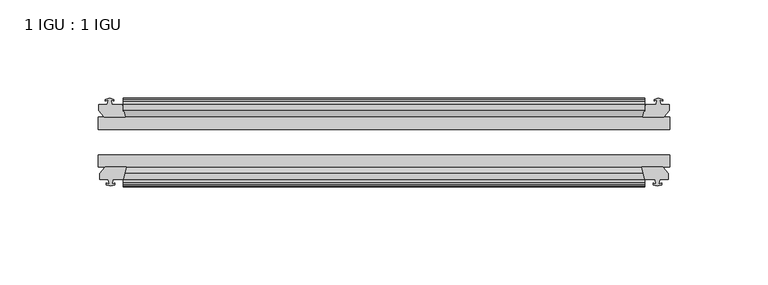
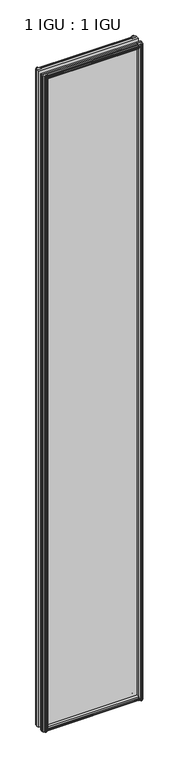
"""IFC4 building model written with IfcOpenShell, lengths in millimetres: plate geometry, 1 IGU : 1 IGU."""

import ifcopenshell
import ifcopenshell.guid

model = None  # the IFC model being written
_history = None  # IfcOwnerHistory: only IFC2X3 demands one
_inside = {}  # id of a spatial element -> (the spatial element, [elements in it])
_under = {}  # id of a project, library or spatial element -> (it, [spatial elements below it])
_declared = {}  # id of a project -> (the project, [libraries it declares])
_typed = {}  # id of a type object -> (the type object, [elements of that type])
_made_of = {}  # id of a material, layer set ... -> (it, [elements and type objects made of it])


def new_model(schema):
    """Start an empty IFC model of exactly this schema.

    Asked for "IFC4X3", IfcOpenShell would pick the latest addendum, in which some entities
    have other attributes; the version numbers below select the first issue.
    IFC2X3 requires an IfcOwnerHistory on every rooted entity: one is made here for all.
    """
    global model, _history
    if schema == "IFC4X3":
        model = ifcopenshell.file(schema_version=(4, 3, 0, 0))
    else:
        model = ifcopenshell.file(schema=schema)
    _inside.clear()
    _under.clear()
    _declared.clear()
    _typed.clear()
    _made_of.clear()
    _history = None
    if model.schema == "IFC2X3":
        org = make("IfcOrganization", Name="unknown")
        user = make(
            "IfcPersonAndOrganization",
            ThePerson=make("IfcPerson", FamilyName="unknown"),
            TheOrganization=org,
        )
        app = make(
            "IfcApplication",
            ApplicationDeveloper=org,
            Version="unknown",
            ApplicationFullName="unknown",
            ApplicationIdentifier="unknown",
        )
        _history = make(
            "IfcOwnerHistory",
            OwningUser=user,
            OwningApplication=app,
            ChangeAction="ADDED",
            CreationDate=0,
        )
    return model


def make(cls, **values):
    """One entity of the class cls with the attributes given. An attribute that is None is left unset."""
    return model.create_entity(
        cls, **{name: value for name, value in values.items() if value is not None}
    )


def rooted(cls, **values):
    """An entity with a GlobalId (a new one), such as an element, a storey or a relation."""
    return make(cls, GlobalId=ifcopenshell.guid.new(), OwnerHistory=_history, **values)


def si_unit(unit_type, name, prefix=None):
    """IfcSIUnit, for example si_unit("LENGTHUNIT", "METRE", prefix="MILLI")."""
    return make("IfcSIUnit", UnitType=unit_type, Prefix=prefix, Name=name)


def assignment(units):
    """IfcUnitAssignment: the units of a project."""
    return None if units is None else make("IfcUnitAssignment", Units=units)


def point(xyz):
    """IfcCartesianPoint."""
    return None if xyz is None else make("IfcCartesianPoint", Coordinates=xyz)


def direction(xyz):
    """IfcDirection."""
    return None if xyz is None else make("IfcDirection", DirectionRatios=xyz)


def frame(location, z_axis=None, x_axis=None):
    """IfcAxis2Placement3D, a coordinate frame: its origin and axes. An axis left out is left unset."""
    return make(
        "IfcAxis2Placement3D",
        Location=point(location),
        Axis=direction(z_axis),
        RefDirection=direction(x_axis),
    )


def origin():
    """The frame at (0, 0, 0) with its axes left unset."""
    return frame((0.0, 0.0, 0.0))


def place(relative_to, where):
    """IfcLocalPlacement: puts the frame where relative to a parent placement (None: the world)."""
    return make(
        "IfcLocalPlacement", PlacementRelTo=relative_to, RelativePlacement=where
    )


def context(
    kind, dimensions, precision=None, world=None, true_north=None, identifier=None
):
    """IfcGeometricRepresentationContext, for example the 3D "Model" context."""
    return make(
        "IfcGeometricRepresentationContext",
        ContextIdentifier=identifier,
        ContextType=kind,
        CoordinateSpaceDimension=dimensions,
        Precision=precision,
        WorldCoordinateSystem=world,
        TrueNorth=true_north,
    )


def project(units=None, contexts=None):
    """IfcProject with its units and contexts."""
    return rooted(
        "IfcProject",
        Name="project",
        RepresentationContexts=contexts,
        UnitsInContext=assignment(units),
    )


def spatial(cls, under=None, at=None, **own):
    """A site, building, storey or space (cls), placed at a placement, below another one or the project."""
    s = rooted(cls, ObjectPlacement=at, **own)
    if under is not None:
        _under.setdefault(under.id(), (under, []))[1].append(s)
    return s


def polyline(points):
    """IfcPolyline through the points."""
    return make("IfcPolyline", Points=[point(p) for p in points])


def outline(outer, holes=None, kind="AREA"):
    """IfcArbitraryClosedProfileDef: a profile drawn as a closed curve; with holes, ...WithVoids."""
    if holes is None:
        return make("IfcArbitraryClosedProfileDef", ProfileType=kind, OuterCurve=outer)
    return make(
        "IfcArbitraryProfileDefWithVoids",
        ProfileType=kind,
        OuterCurve=outer,
        InnerCurves=holes,
    )


def extrude(swept, where, along, depth):
    """IfcExtrudedAreaSolid: the profile swept, set in the frame where, extruded along a direction by depth."""
    return make(
        "IfcExtrudedAreaSolid",
        SweptArea=swept,
        Position=where,
        ExtrudedDirection=direction(along),
        Depth=depth,
    )


def shape(context_of_items, identifier, shape_type, items):
    """IfcShapeRepresentation: the items that make up one representation, for example the "Body"."""
    return make(
        "IfcShapeRepresentation",
        ContextOfItems=context_of_items,
        RepresentationIdentifier=identifier,
        RepresentationType=shape_type,
        Items=items,
    )


def source(mapping_origin, context_of_items, identifier, shape_type, items):
    """IfcRepresentationMap: a shape defined once, which mapped items show again and again."""
    return make(
        "IfcRepresentationMap",
        MappingOrigin=mapping_origin,
        MappedRepresentation=shape(context_of_items, identifier, shape_type, items),
    )


def transform(
    local_origin,
    x_axis=None,
    y_axis=None,
    z_axis=None,
    scale=None,
    scale2=None,
    scale3=None,
    uniform=True,
):
    """IfcCartesianTransformationOperator3D, or its non-uniform kind. x_axis, y_axis, z_axis: its Axis1, 2, 3."""
    if uniform:
        return make(
            "IfcCartesianTransformationOperator3D",
            Axis1=direction(x_axis),
            Axis2=direction(y_axis),
            LocalOrigin=point(local_origin),
            Scale=scale,
            Axis3=direction(z_axis),
        )
    return make(
        "IfcCartesianTransformationOperator3DnonUniform",
        Axis1=direction(x_axis),
        Axis2=direction(y_axis),
        LocalOrigin=point(local_origin),
        Scale=scale,
        Axis3=direction(z_axis),
        Scale2=scale2,
        Scale3=scale3,
    )


def mapped(mapping_source, mapping_target):
    """IfcMappedItem: shows the shape of a source again, moved by a transform."""
    return make(
        "IfcMappedItem", MappingSource=mapping_source, MappingTarget=mapping_target
    )


def made_of(thing, what):
    """Note that an element or type object is made of a material, layer set ...; save() writes the relation."""
    if what is not None:
        _made_of.setdefault(what.id(), (what, []))[1].append(thing)
    return thing


def element(
    cls,
    number,
    at=None,
    inside=None,
    cuts=None,
    type_object=None,
    material=None,
    context=None,
    identifier="Body",
    shape_type=None,
    held_by="IfcProductDefinitionShape",
    body=None,
    shapes=None,
    **own,
):
    """One element of the class cls, such as IfcWall. Its Tag is "e" and its number.

    at: its placement. inside: the storey or other place that contains it. cuts: it is an
    opening in that element (IfcRelVoidsElement). A single representation is given by context,
    identifier, shape_type and body (its items); several are given by shapes. held_by: the class
    of the entity that holds the representations. save() writes the other relations.
    """
    e = rooted(cls, Tag="e%d" % number, ObjectPlacement=at, **own)
    if body is not None:
        shapes = [shape(context, identifier, shape_type, body)]
    if shapes is not None:
        e.Representation = make(held_by, Representations=shapes)
    if inside is not None:
        _inside.setdefault(inside.id(), (inside, []))[1].append(e)
    if cuts is not None:
        rooted(
            "IfcRelVoidsElement", RelatingBuildingElement=cuts, RelatedOpeningElement=e
        )
    if type_object is not None:
        _typed.setdefault(type_object.id(), (type_object, []))[1].append(e)
    return made_of(e, material)


def aggregate(whole, parts):
    """IfcRelAggregates: a whole, such as a stair, and the parts it consists of."""
    return rooted("IfcRelAggregates", RelatingObject=whole, RelatedObjects=parts)


def save(model, path):
    """Write the relations noted so far, then the file.

    IfcRelAggregates (storeys below a building ...), IfcRelContainedInSpatialStructure (elements
    in a storey), IfcRelDefinesByType, IfcRelAssociatesMaterial and IfcRelDeclares: one each for
    every whole, place, type object, material and project.
    """
    for whole, parts in _under.values():
        aggregate(whole, parts)
    for where, things in _inside.values():
        rooted(
            "IfcRelContainedInSpatialStructure",
            RelatedElements=things,
            RelatingStructure=where,
        )
    for kind, things in _typed.values():
        rooted("IfcRelDefinesByType", RelatedObjects=things, RelatingType=kind)
    for what, things in _made_of.values():
        rooted("IfcRelAssociatesMaterial", RelatedObjects=things, RelatingMaterial=what)
    for by, libraries in _declared.values():
        rooted("IfcRelDeclares", RelatingContext=by, RelatedDefinitions=libraries)
    model.write(path)


def plate_1_igu_1_igu_49efff22(model_context):
    return source(origin(), model_context, "Body", "SweptSolid", [
        extrude(outline(polyline([(-25.8960937, 1.1970181), (-19.5460937, -0.5207), (-19.5460937, -5.7277), (-17.1658968, -6.1087), (-17.62583, -4.6931709), (-16.8246158, -4.6931709), (-16.1170937, -6.8707), (-16.8246158, -9.0482291), (-17.62583, -9.0482291), (-17.1658968, -7.6327), (-19.5460937, -8.0137), (-19.5460937, -12.4587), (-22.4924937, -12.4587), (-25.8960937, -9.6243578), (-25.8960937, 1.1970181)])), frame((-132.8801766, 0.0, 0.0), z_axis=(1.0, 0.0, 0.0), x_axis=(0.0, 1.0, 0.0)), (0.0, 0.0, 1.0), 265.7603532),
        extrude(outline(polyline([(-51.2960937, 1.7177181), (-51.2960937, -9.1036578), (-54.6996937, -11.938), (-57.6460937, -11.938), (-57.6460937, -7.493), (-60.0262907, -7.112), (-59.5663575, -8.5275291), (-60.3675717, -8.5275291), (-61.0750937, -6.35), (-60.3675717, -4.1724709), (-59.5663575, -4.1724709), (-60.0262907, -5.588), (-57.6460937, -5.207), (-57.6460937, 0.0), (-51.2960937, 1.7177181)])), frame((-132.8801766, 0.0, 0.0), z_axis=(1.0, 0.0, 0.0), x_axis=(0.0, 1.0, 0.0)), (0.0, 0.0, 1.0), 265.7603532),
        extrude(outline(polyline([(-57.6460937, 2005.838), (-54.6996937, 2005.838), (-51.2960937, 2003.0036578), (-51.2960937, 1992.1822819), (-57.6460937, 1993.9), (-57.6460937, 1999.107), (-60.0262907, 1999.488), (-59.5663575, 1998.072471), (-60.3675717, 1998.072471), (-61.0750937, 2000.25), (-60.3675717, 2002.4275291), (-59.5663575, 2002.4275291), (-60.0262907, 2001.012), (-57.6460937, 2001.393), (-57.6460937, 2005.838)])), frame((-132.8801766, 0.0, 0.0), z_axis=(1.0, 0.0, 0.0), x_axis=(0.0, 1.0, 0.0)), (0.0, 0.0, 1.0), 265.7603532),
        extrude(outline(polyline([(-19.5460937, 2006.3587), (-19.5460937, 2001.9137), (-17.1658968, 2001.5327), (-17.62583, 2002.9482291), (-16.8246158, 2002.9482291), (-16.1170937, 2000.7707), (-16.8246158, 1998.593171), (-17.62583, 1998.593171), (-17.1658968, 2000.0087), (-19.5460937, 1999.6277), (-19.5460937, 1994.4207), (-25.8960937, 1992.7029819), (-25.8960937, 2003.5243578), (-22.4924937, 2006.3587), (-19.5460937, 2006.3587)])), frame((-132.8801766, 0.0, 0.0), z_axis=(1.0, 0.0, 0.0), x_axis=(0.0, 1.0, 0.0)), (0.0, 0.0, 1.0), 265.7603532),
        extrude(outline(polyline([(-139.7508766, -16.1170937), (-137.5733475, -16.8246158), (-137.5733475, -17.62583), (-138.9888766, -17.1658968), (-138.6078766, -19.5460937), (-133.4008766, -19.5460937), (-131.6831585, -25.8960937), (-142.5045344, -25.8960937), (-145.3388766, -22.4924937), (-145.3388766, -19.5460937), (-140.8938766, -19.5460937), (-140.5128766, -17.1658968), (-141.9284056, -17.62583), (-141.9284056, -16.8246158), (-139.7508766, -16.1170937)])), frame((0.0, 0.0, -12.7), z_axis=(0.0, 0.0, 1.0), x_axis=(1.0, 0.0, 0.0)), (0.0, 0.0, 1.0), 2019.3),
        extrude(outline(polyline([(-139.2301766, -61.0750938), (-141.4077056, -60.3675717), (-141.4077056, -59.5663575), (-139.9921766, -60.0262907), (-140.3731766, -57.6460938), (-144.8181766, -57.6460938), (-144.8181766, -54.6996938), (-141.9838344, -51.2960937), (-131.1624585, -51.2960937), (-132.8801766, -57.6460938), (-138.0871766, -57.6460938), (-138.4681766, -60.0262907), (-137.0526475, -59.5663575), (-137.0526475, -60.3675717), (-139.2301766, -61.0750938)])), frame((0.0, 0.0, -12.7), z_axis=(0.0, 0.0, 1.0), x_axis=(1.0, 0.0, 0.0)), (0.0, 0.0, 1.0), 2019.3),
        extrude(outline(polyline([(138.6078766, -19.5460937), (138.9888766, -17.1658968), (137.5733475, -17.62583), (137.5733475, -16.8246158), (139.7508766, -16.1170937), (141.9284056, -16.8246158), (141.9284056, -17.62583), (140.5128766, -17.1658968), (140.8938766, -19.5460937), (145.3388766, -19.5460937), (145.3388766, -22.4924937), (142.5045344, -25.8960937), (131.6831585, -25.8960937), (133.4008766, -19.5460937), (138.6078766, -19.5460937)])), frame((0.0, 0.0, -12.7), z_axis=(0.0, 0.0, 1.0), x_axis=(1.0, 0.0, 0.0)), (0.0, 0.0, 1.0), 2019.3),
        extrude(outline(polyline([(141.9838344, -51.2960937), (144.8181766, -54.6996937), (144.8181766, -57.6460937), (140.3731766, -57.6460937), (139.9921766, -60.0262907), (141.4077056, -59.5663575), (141.4077056, -60.3675717), (139.2301766, -61.0750937), (137.0526475, -60.3675717), (137.0526475, -59.5663575), (138.4681766, -60.0262907), (138.0871766, -57.6460937), (132.8801766, -57.6460937), (131.1624585, -51.2960937), (141.9838344, -51.2960937)])), frame((0.0, 0.0, -12.7), z_axis=(0.0, 0.0, 1.0), x_axis=(1.0, 0.0, 0.0)), (0.0, 0.0, 1.0), 2019.3),
        extrude(outline(polyline([(-145.5801766, -25.8960937), (145.5801766, -25.8960937), (145.5801766, -32.2460937), (-145.5801766, -32.2460937), (-145.5801766, -25.8960937)])), frame((0.0, 0.0, -12.7), z_axis=(0.0, 0.0, 1.0), x_axis=(1.0, 0.0, 0.0)), (0.0, 0.0, 1.0), 2019.3),
        extrude(outline(polyline([(145.5801766, -45.2686737), (145.5801766, -51.2960937), (-145.5801766, -51.2960937), (-145.5801766, -45.2686737), (145.5801766, -45.2686737)])), frame((0.0, 0.0, -12.7), z_axis=(0.0, 0.0, 1.0), x_axis=(1.0, 0.0, 0.0)), (0.0, 0.0, 1.0), 2019.3),
    ])


if __name__ == "__main__":
    model = new_model("IFC4")
    model_context = context("Model", 3, world=origin())
    ifc_project = project(units=[si_unit("LENGTHUNIT", "METRE", prefix="MILLI")], contexts=[model_context])
    site = spatial("IfcSite", under=ifc_project)
    building = spatial("IfcBuilding", under=site)
    placement = place(None, origin())
    plate_1_igu_1_igu_shape = plate_1_igu_1_igu_49efff22(model_context)
    element("IfcPlate", 1, ObjectType="1 IGU : 1 IGU", at=placement, inside=building, context=model_context, shape_type="MappedRepresentation", body=[
        mapped(plate_1_igu_1_igu_shape, transform((0.0, 0.0, 0.0), x_axis=(1.0, 0.0, 0.0), y_axis=(0.0, 1.0, 0.0), z_axis=(0.0, 0.0, 1.0))),
    ])
    save(model, "model.ifc")
